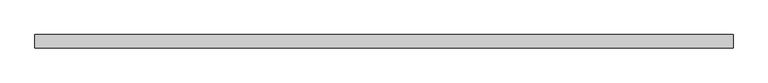
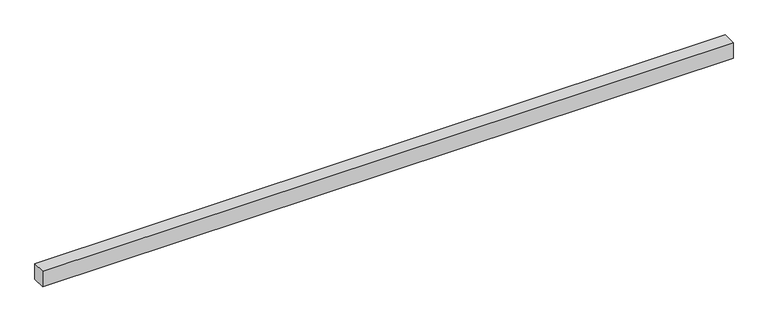
"""IFC4 building model written with IfcOpenShell, lengths in millimetres: proxy geometry."""

from ifc_helpers import new_model, si_unit, frame, origin, place, context, project, spatial, polyline, outline, extrude, source, transform, mapped, element, save


def generic_models_d62ba513(model_context):
    return source(origin(), model_context, "Body", "SweptSolid", [
        extrude(outline(polyline([(40.0, 0.0), (-40.0, 0.0), (-40.0, 4150.0), (40.0, 4150.0), (40.0, 0.0)])), frame((4150.0, 0.0, 0.0), z_axis=(0.0, -1.9783474858313244e-12, 1.0), x_axis=(0.0, 1.0, 1.9783474858313244e-12)), (0.0, 0.0, 1.0), 100.0),
    ])


if __name__ == "__main__":
    model = new_model("IFC4")
    model_context = context("Model", 3, world=origin())
    ifc_project = project(units=[si_unit("LENGTHUNIT", "METRE", prefix="MILLI")], contexts=[model_context])
    site = spatial("IfcSite", under=ifc_project)
    building = spatial("IfcBuilding", under=site)
    placement = place(None, origin())
    generic_models_shape = generic_models_d62ba513(model_context)
    element("IfcBuildingElementProxy", 1, Name="Generic Models", at=placement, inside=building, context=model_context, shape_type="MappedRepresentation", body=[
        mapped(generic_models_shape, transform((0.0, 0.0, 0.0), x_axis=(1.0, 0.0, 0.0), y_axis=(0.0, 1.0, 0.0), z_axis=(0.0, 0.0, 1.0))),
    ])
    save(model, "model.ifc")
